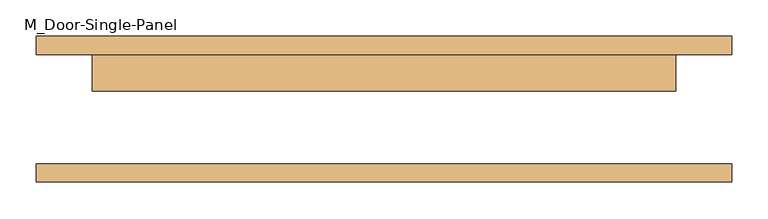
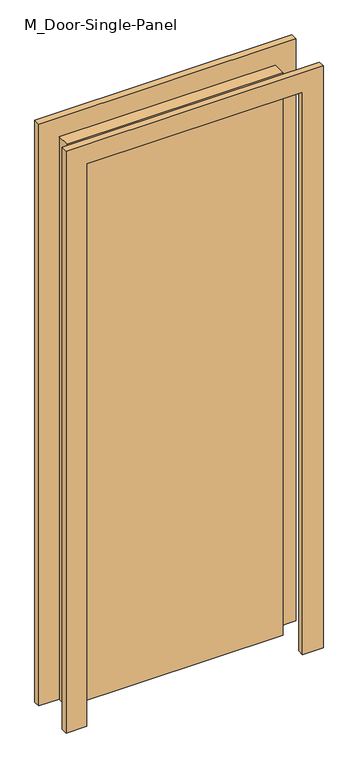
"""IFC4 building model written with IfcOpenShell, lengths in millimetres: door geometry, M_Door-Single-Panel."""

from ifc_helpers import new_model, si_unit, frame, origin, origin_with_axes, place, context, project, spatial, polyline, outline, extrude, source, transform, mapped, element, save


def m_door_single_panel_464dfa70(model_context):
    return source(origin(), model_context, "Body", "SweptSolid", [
        extrude(outline(polyline([(400.0, 25.0), (-400.0, 25.0), (-400.0, 75.0), (400.0, 75.0), (400.0, 25.0)])), origin_with_axes(), (0.0, 0.0, 1.0), 2200.0),
        extrude(outline(polyline([(2276.2, -476.2), (0.0, -476.2), (0.0, -400.0), (2200.0, -400.0), (2200.0, 400.0), (0.0, 400.0), (0.0, 476.2), (2276.2, 476.2), (2276.2, -476.2)])), frame((0.0, 75.0, 0.0), z_axis=(0.0, 1.0, 0.0), x_axis=(0.0, 0.0, 1.0)), (0.0, 0.0, 1.0), 25.0),
        extrude(outline(polyline([(2276.2, 476.2), (2276.2, -476.2), (0.0, -476.2), (0.0, -400.0), (2200.0, -400.0), (2200.0, 400.0), (0.0, 400.0), (0.0, 476.2), (2276.2, 476.2)])), frame((0.0, -100.0, 0.0), z_axis=(0.0, 1.0, 0.0), x_axis=(0.0, 0.0, 1.0)), (0.0, 0.0, 1.0), 25.0),
    ])


if __name__ == "__main__":
    model = new_model("IFC4")
    model_context = context("Model", 3, world=origin())
    ifc_project = project(units=[si_unit("LENGTHUNIT", "METRE", prefix="MILLI")], contexts=[model_context])
    site = spatial("IfcSite", under=ifc_project)
    building = spatial("IfcBuilding", under=site)
    placement = place(None, origin())
    m_door_single_panel_shape = m_door_single_panel_464dfa70(model_context)
    element("IfcDoor", 1, ObjectType="M_Door-Single-Panel", at=placement, inside=building, context=model_context, shape_type="MappedRepresentation", body=[
        mapped(m_door_single_panel_shape, transform((0.0, 0.0, 0.0), x_axis=(1.0, 0.0, 0.0), y_axis=(0.0, 1.0, 0.0), z_axis=(0.0, 0.0, 1.0))),
    ])
    save(model, "model.ifc")
